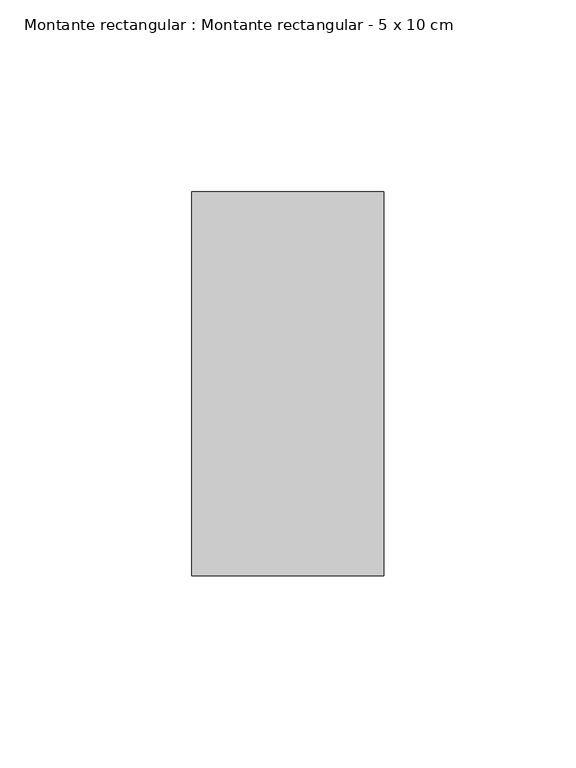
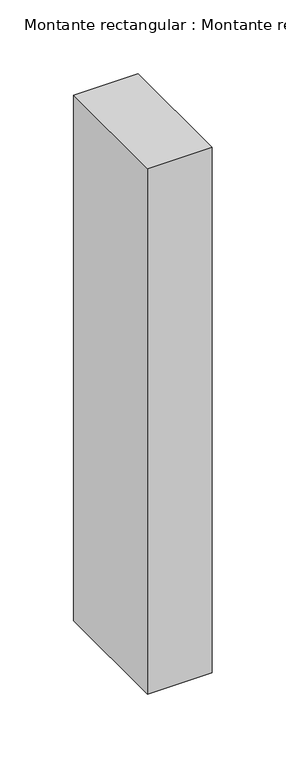
"""IFC4 building model written with IfcOpenShell, lengths in millimetres: member geometry, Montante rectangular : Montante rectangular - 5 x 10 cm."""

from ifc_helpers import new_model, si_unit, frame, origin, place, context, project, spatial, polyline, outline, extrude, source, transform, mapped, element, save


def montante_rectangular_montante_rectangular_5_x_10_cm_3a401fb2(model_context):
    return source(origin(), model_context, "Body", "SweptSolid", [
        extrude(outline(polyline([(0.0, 50.0), (0.0, -50.0), (-50.0, -50.0), (-50.0, 50.0), (0.0, 50.0)])), frame((0.0, 0.0, -433.3333333), z_axis=(0.0, 0.0, 1.0), x_axis=(1.0, 0.0, 0.0)), (0.0, 0.0, 1.0), 433.3333333),
    ])


if __name__ == "__main__":
    model = new_model("IFC4")
    model_context = context("Model", 3, world=origin())
    ifc_project = project(units=[si_unit("LENGTHUNIT", "METRE", prefix="MILLI")], contexts=[model_context])
    site = spatial("IfcSite", under=ifc_project)
    building = spatial("IfcBuilding", under=site)
    placement = place(None, origin())
    montante_rectangular_montante_rectangular_5_x_10_cm_shape = montante_rectangular_montante_rectangular_5_x_10_cm_3a401fb2(model_context)
    element("IfcMember", 1, ObjectType="Montante rectangular : Montante rectangular - 5 x 10 cm", at=placement, inside=building, context=model_context, shape_type="MappedRepresentation", body=[
        mapped(montante_rectangular_montante_rectangular_5_x_10_cm_shape, transform((0.0, 0.0, 0.0), x_axis=(1.0, 0.0, 0.0), y_axis=(0.0, 1.0, 0.0), z_axis=(0.0, 0.0, 1.0))),
    ])
    save(model, "model.ifc")
